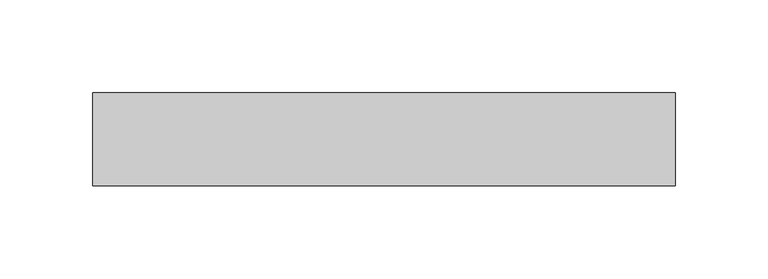
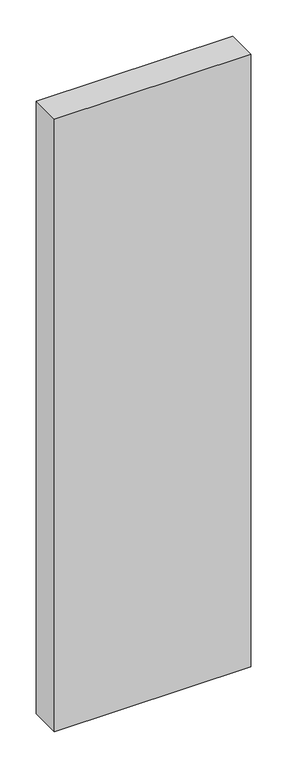
"""IFC4 building model written with IfcOpenShell, lengths in millimetres: plate geometry."""

from ifc_helpers import new_model, si_unit, origin, origin_with_axes, place, context, project, spatial, polyline, outline, extrude, source, transform, mapped, element, save


def plate_a4859771(model_context):
    return source(origin(), model_context, "Body", "SweptSolid", [
        extrude(outline(polyline([(157.0038035, -25.0), (-157.0038035, -25.0), (-157.0038035, 25.0), (157.0038035, 25.0), (157.0038035, -25.0)])), origin_with_axes(), (0.0, 0.0, 1.0), 1035.0),
    ])


if __name__ == "__main__":
    model = new_model("IFC4")
    model_context = context("Model", 3, world=origin())
    ifc_project = project(units=[si_unit("LENGTHUNIT", "METRE", prefix="MILLI")], contexts=[model_context])
    site = spatial("IfcSite", under=ifc_project)
    building = spatial("IfcBuilding", under=site)
    placement = place(None, origin())
    plate_shape = plate_a4859771(model_context)
    element("IfcPlate", 1, at=placement, inside=building, context=model_context, shape_type="MappedRepresentation", body=[
        mapped(plate_shape, transform((0.0, 0.0, 0.0), x_axis=(1.0, 0.0, 0.0), y_axis=(0.0, 1.0, 0.0), z_axis=(0.0, 0.0, 1.0))),
    ])
    save(model, "model.ifc")
